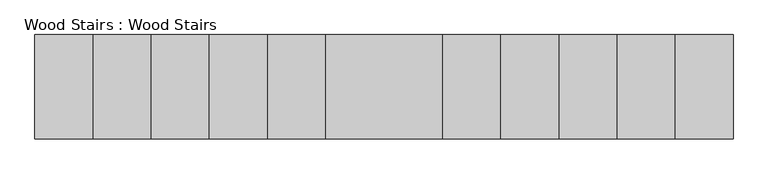
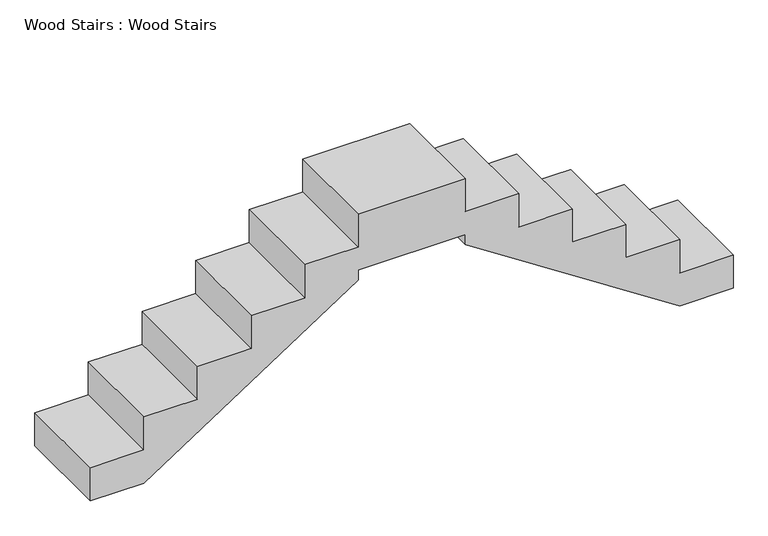
"""IFC4 building model written with IfcOpenShell, lengths in millimetres: proxy geometry, Wood Stairs : Wood Stairs."""

from ifc_helpers import new_model, si_unit, frame, origin, place, context, project, spatial, polyline, outline, extrude, source, transform, mapped, element, save


def wood_stairs_wood_stairs_4d298f8a(model_context):
    return source(origin(), model_context, "Body", "SweptSolid", [
        extrude(outline(polyline([(397.9333333, 257651.067629), (0.0, 257651.067629), (0.0, 258260.667629), (1591.7333333, 260699.067629), (1710.2666667, 260699.067629), (1710.2666667, 261918.267629), (1591.7333333, 261918.267629), (0.0, 264356.667629), (0.0, 264966.267629), (397.9333333, 264966.267629), (397.9333333, 264356.667629), (795.8666667, 264356.667629), (795.8666667, 263747.067629), (1193.8, 263747.067629), (1193.8, 263137.467629), (1591.7333333, 263137.467629), (1591.7333333, 262527.867629), (1989.6666667, 262527.867629), (1989.6666667, 261918.267629), (2387.6, 261918.267629), (2387.6, 260699.067629), (1989.6666667, 260699.067629), (1989.6666667, 260089.467629), (1591.7333333, 260089.467629), (1591.7333333, 259479.867629), (1193.8, 259479.867629), (1193.8, 258870.267629), (795.8666667, 258870.267629), (795.8666667, 258260.667629), (397.9333333, 258260.667629), (397.9333333, 257651.067629)])), frame((0.0, -46431.8577581, 0.0), z_axis=(0.0, 1.0, 0.0), x_axis=(0.0, 0.0, 1.0)), (0.0, 0.0, 1.0), 1092.2),
    ])


if __name__ == "__main__":
    model = new_model("IFC4")
    model_context = context("Model", 3, world=origin())
    ifc_project = project(units=[si_unit("LENGTHUNIT", "METRE", prefix="MILLI")], contexts=[model_context])
    site = spatial("IfcSite", under=ifc_project)
    building = spatial("IfcBuilding", under=site)
    placement = place(None, origin())
    wood_stairs_wood_stairs_shape = wood_stairs_wood_stairs_4d298f8a(model_context)
    element("IfcBuildingElementProxy", 1, Name="Wood Stairs : Wood Stairs", ObjectType="Wood Stairs : Wood Stairs", at=placement, inside=building, context=model_context, shape_type="MappedRepresentation", body=[
        mapped(wood_stairs_wood_stairs_shape, transform((0.0, 0.0, 0.0), x_axis=(1.0, 0.0, 0.0), y_axis=(0.0, 1.0, 0.0), z_axis=(0.0, 0.0, 1.0))),
    ])
    save(model, "model.ifc")
